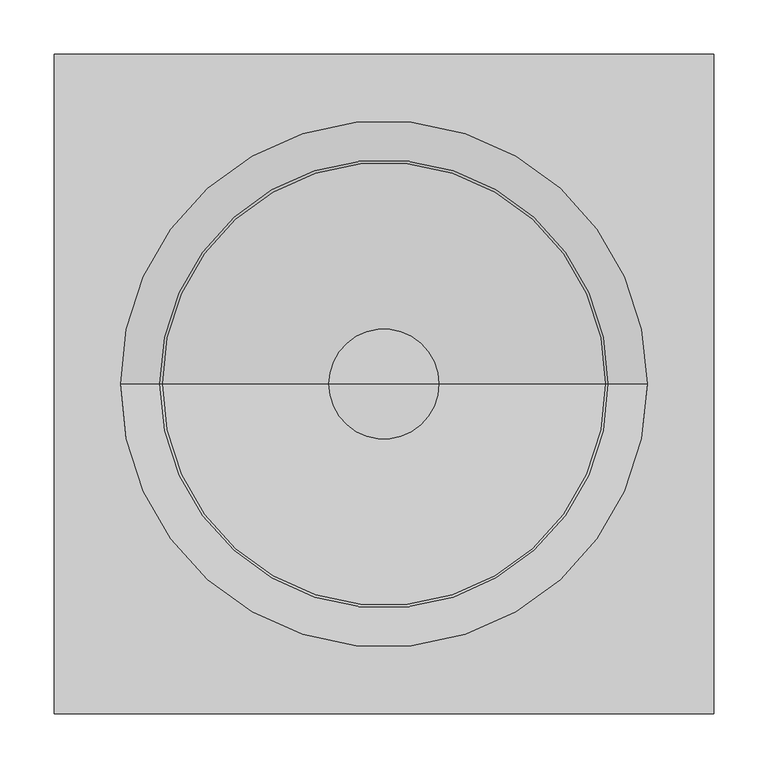
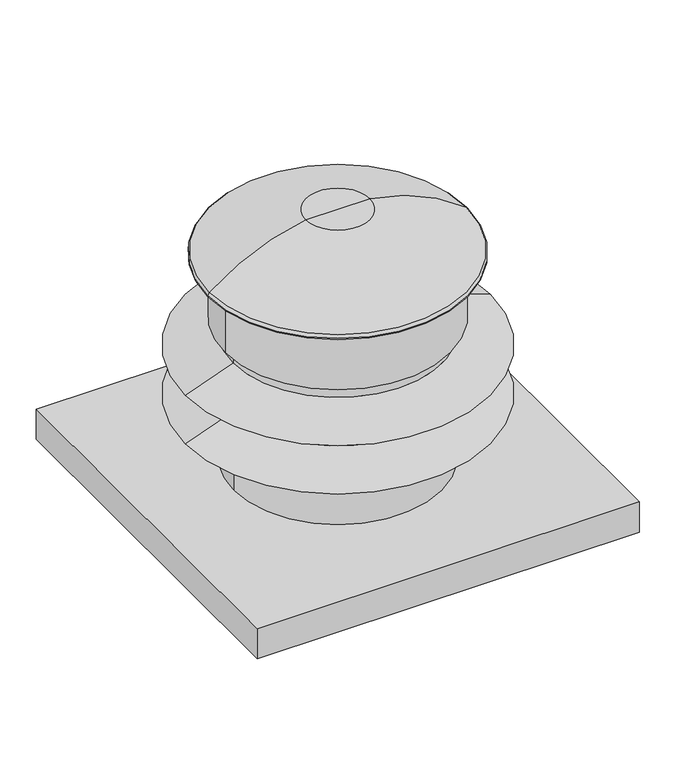
"""IFC4 building model written with IfcOpenShell, lengths in millimetres: proxy geometry."""

from ifc_helpers import new_model, si_unit, point, frame, origin, origin_with_axes, origin_2d, place, context, project, spatial, polyline, circle_curve, ellipse_curve, trimmed, segment, composite_curve, outline, extrude, source, transform, mapped, element, save
from ifc_brep_helpers import plane_surface, cylinder_surface, revolved_surface, advanced_brep


def generic_models_0bc11a33(model_context):
    return source(origin(), model_context, "Body", "SolidModel", [
        extrude(outline(composite_curve([segment(trimmed(circle_curve(origin_2d(), 133.35), [point((-133.35, 0.0))], [point((133.35, 0.0))], False, "CARTESIAN"), True, "CONTINUOUS"), segment(trimmed(circle_curve(origin_2d(), 133.35), [point((133.35, 0.0))], [point((-133.35, 0.0))], False, "CARTESIAN"), True, "CONTINUOUS")], self_intersect=False)), frame((0.0, 0.0, -123.03125), z_axis=(0.0, 0.0, 1.0), x_axis=(1.0, 0.0, 0.0)), (0.0, 0.0, 1.0), 123.03125),
        advanced_brep(
        [(50.795561, 0.0, 466.0888), (-50.795561, 0.0, 466.0888), (0.0, 0.0, 466.0888), (204.6272134, 0.0, 398.1636247), (-204.6272134, 0.0, 398.1636247), (207.005561, 0.0, 393.2089827), (-207.005561, 0.0, 393.2089827), (207.005561, 0.0, 391.288975), (-207.005561, 0.0, 391.288975), (179.445427, 0.0, 391.288975), (-179.445427, 0.0, 391.288975), (179.445427, 0.0, 287.5014), (-179.445427, 0.0, 287.5014), (166.8735605, 0.0, 287.5014), (-166.8735605, 0.0, 287.5014), (166.8735605, 0.0, 265.6599581), (-166.8735605, 0.0, 265.6599581), (243.2628806, 0.0, 237.8565194), (-243.2628806, 0.0, 237.8565194), (166.8735605, 0.0, 237.8565194), (-166.8735605, 0.0, 237.8565194), (166.8735605, 0.0, 184.0231581), (-166.8735605, 0.0, 184.0231581), (243.2628789, 0.0, 156.21972), (-243.2628789, 0.0, 156.21972), (165.857561, 0.0, 156.21972), (-165.857561, 0.0, 156.21972), (165.857561, 0.0, 50.8), (-165.857561, 0.0, 50.8), (0.0, 0.0, 50.8)],
        [
            (0, 1, circle_curve(frame((0.0, 0.0, 466.0888), z_axis=(0.0, 0.0, 1.0), x_axis=(-1.0, 0.0, 0.0)), 50.795561)),
            (1, 2),
            (2, 0),
            (1, 0, circle_curve(frame((0.0, 0.0, 466.0888), z_axis=(0.0, 0.0, 1.0), x_axis=(-1.0, 0.0, 0.0)), 50.795561)),
            (3, 4, circle_curve(frame((0.0, 0.0, 398.1636247), z_axis=(0.0, 0.0, 1.0), x_axis=(-1.0, 0.0, 0.0)), 204.6272134)),
            (4, 1, circle_curve(frame((0.004439, 0.0, 142.8853455), z_axis=(0.0, 1.0, 0.0), x_axis=(1.0, 0.0, 0.0)), 327.1713817)),
            (0, 3, circle_curve(frame((-0.004439, 0.0, 142.8853455), z_axis=(0.0, 1.0, 0.0), x_axis=(-1.0, 0.0, 0.0)), 327.1713817)),
            (4, 3, circle_curve(frame((0.0, 0.0, 398.1636247), z_axis=(0.0, 0.0, 1.0), x_axis=(-1.0, 0.0, 0.0)), 204.6272134)),
            (5, 6, circle_curve(frame((0.0, 0.0, 393.2089827), z_axis=(0.0, 0.0, 1.0), x_axis=(-1.0, 0.0, 0.0)), 207.005561)),
            (6, 4, circle_curve(frame((-200.655561, 0.0, 393.2089827), z_axis=(0.0, 1.0, 0.0), x_axis=(1.0, 0.0, 0.0)), 6.35)),
            (3, 5, circle_curve(frame((200.655561, 0.0, 393.2089827), z_axis=(0.0, 1.0, 0.0), x_axis=(-1.0, 0.0, 0.0)), 6.35)),
            (6, 5, circle_curve(frame((0.0, 0.0, 393.2089827), z_axis=(0.0, 0.0, 1.0), x_axis=(-1.0, 0.0, 0.0)), 207.005561)),
            (7, 8, circle_curve(frame((0.0, 0.0, 391.288975), z_axis=(0.0, 0.0, 1.0), x_axis=(-1.0, 0.0, 0.0)), 207.005561)),
            (8, 6),
            (5, 7),
            (8, 7, circle_curve(frame((0.0, 0.0, 391.288975), z_axis=(0.0, 0.0, 1.0), x_axis=(-1.0, 0.0, 0.0)), 207.005561)),
            (9, 10, circle_curve(frame((0.0, 0.0, 391.288975), z_axis=(0.0, 0.0, 1.0), x_axis=(-1.0, 0.0, 0.0)), 179.445427)),
            (10, 8),
            (7, 9),
            (10, 9, circle_curve(frame((0.0, 0.0, 391.288975), z_axis=(0.0, 0.0, 1.0), x_axis=(-1.0, 0.0, 0.0)), 179.445427)),
            (11, 12, circle_curve(frame((0.0, 0.0, 287.5014), z_axis=(0.0, 0.0, 1.0), x_axis=(-1.0, 0.0, 0.0)), 179.445427)),
            (12, 10),
            (9, 11),
            (12, 11, circle_curve(frame((0.0, 0.0, 287.5014), z_axis=(0.0, 0.0, 1.0), x_axis=(-1.0, 0.0, 0.0)), 179.445427)),
            (13, 14, circle_curve(frame((0.0, 0.0, 287.5014), z_axis=(0.0, 0.0, 1.0), x_axis=(-1.0, 0.0, 0.0)), 166.8735605)),
            (14, 12),
            (11, 13),
            (14, 13, circle_curve(frame((0.0, 0.0, 287.5014), z_axis=(0.0, 0.0, 1.0), x_axis=(-1.0, 0.0, 0.0)), 166.8735605)),
            (15, 16, circle_curve(frame((0.0, 0.0, 265.6599581), z_axis=(0.0, 0.0, 1.0), x_axis=(-1.0, 0.0, 0.0)), 166.8735605)),
            (16, 14),
            (13, 15),
            (16, 15, circle_curve(frame((0.0, 0.0, 265.6599581), z_axis=(0.0, 0.0, 1.0), x_axis=(-1.0, 0.0, 0.0)), 166.8735605)),
            (17, 18, circle_curve(frame((0.0, 0.0, 237.8565194), z_axis=(0.0, 0.0, 1.0), x_axis=(-1.0, 0.0, 0.0)), 243.2628806)),
            (18, 16),
            (15, 17),
            (18, 17, circle_curve(frame((0.0, 0.0, 237.8565194), z_axis=(0.0, 0.0, 1.0), x_axis=(-1.0, 0.0, 0.0)), 243.2628806)),
            (19, 20, circle_curve(frame((0.0, 0.0, 237.8565194), z_axis=(0.0, 0.0, 1.0), x_axis=(-1.0, 0.0, 0.0)), 166.8735605)),
            (20, 18),
            (17, 19),
            (20, 19, circle_curve(frame((0.0, 0.0, 237.8565194), z_axis=(0.0, 0.0, 1.0), x_axis=(-1.0, 0.0, 0.0)), 166.8735605)),
            (21, 22, circle_curve(frame((0.0, 0.0, 184.0231581), z_axis=(0.0, 0.0, 1.0), x_axis=(-1.0, 0.0, 0.0)), 166.8735605)),
            (22, 20),
            (19, 21),
            (22, 21, circle_curve(frame((0.0, 0.0, 184.0231581), z_axis=(0.0, 0.0, 1.0), x_axis=(-1.0, 0.0, 0.0)), 166.8735605)),
            (23, 24, circle_curve(frame((0.0, 0.0, 156.21972), z_axis=(0.0, 0.0, 1.0), x_axis=(-1.0, 0.0, 0.0)), 243.2628789)),
            (24, 22),
            (21, 23),
            (24, 23, circle_curve(frame((0.0, 0.0, 156.21972), z_axis=(0.0, 0.0, 1.0), x_axis=(-1.0, 0.0, 0.0)), 243.2628789)),
            (25, 26, circle_curve(frame((0.0, 0.0, 156.21972), z_axis=(0.0, 0.0, 1.0), x_axis=(-1.0, 0.0, 0.0)), 165.857561)),
            (26, 24),
            (23, 25),
            (26, 25, circle_curve(frame((0.0, 0.0, 156.21972), z_axis=(0.0, 0.0, 1.0), x_axis=(-1.0, 0.0, 0.0)), 165.857561)),
            (27, 28, circle_curve(frame((0.0, 0.0, 50.8), z_axis=(0.0, 0.0, 1.0), x_axis=(-1.0, 0.0, 0.0)), 165.857561)),
            (28, 26),
            (25, 27),
            (28, 27, circle_curve(frame((0.0, 0.0, 50.8), z_axis=(0.0, 0.0, 1.0), x_axis=(-1.0, 0.0, 0.0)), 165.857561)),
            (29, 28),
            (27, 29),
        ],
        [
            plane_surface(frame((0.0, 0.0, 466.0888), z_axis=(0.0, 0.0, 1.0), x_axis=(-1.0, 0.0, 0.0))),
            revolved_surface(trimmed(ellipse_curve(frame((0.004439, 0.0, 142.8853455), z_axis=(0.0, -1.0, 0.0), x_axis=(1.0, 0.0, 0.0)), 327.1713817, 327.1713817), [point((-50.795561, 0.0, 466.0888))], [point((-204.6272134, 0.0, 398.1636247))], True, "CARTESIAN"), (0.0, 0.0, -123.03125), (0.0, 0.0, -1.0)),
            revolved_surface(trimmed(ellipse_curve(frame((-200.655561, 0.0, 393.2089827), z_axis=(0.0, -1.0, 0.0), x_axis=(1.0, 0.0, 0.0)), 6.35, 6.35), [point((-204.6272134, 0.0, 398.1636247))], [point((-207.005561, 0.0, 393.2089827))], True, "CARTESIAN"), (0.0, 0.0, -123.03125), (0.0, 0.0, -1.0)),
            cylinder_surface(frame((0.0, 0.0, -123.03125), z_axis=(0.0, 0.0, -1.0), x_axis=(-1.0, 0.0, 0.0)), 207.005561),
            plane_surface(frame((0.0, 0.0, 391.288975), z_axis=(0.0, 0.0, -1.0), x_axis=(-1.0, 0.0, 0.0))),
            cylinder_surface(frame((0.0, 0.0, -123.03125), z_axis=(0.0, 0.0, -1.0), x_axis=(-1.0, 0.0, 0.0)), 179.445427),
            plane_surface(frame((0.0, 0.0, 287.5014), z_axis=(0.0, 0.0, -1.0), x_axis=(-1.0, 0.0, 0.0))),
            cylinder_surface(frame((0.0, 0.0, -123.03125), z_axis=(0.0, 0.0, -1.0), x_axis=(-1.0, 0.0, 0.0)), 166.8735605),
            revolved_surface(polyline([(-166.8735605, 0.0, 265.6599581), (-243.2628806, 0.0, 237.8565194)]), (0.0, 0.0, -123.03125), (0.0, 0.0, -1.0)),
            plane_surface(frame((0.0, 0.0, 237.8565194), z_axis=(0.0, 0.0, -1.0), x_axis=(-1.0, 0.0, 0.0))),
            revolved_surface(polyline([(-166.8735605, 0.0, 184.0231581), (-243.2628789, 0.0, 156.21972)]), (0.0, 0.0, -123.03125), (0.0, 0.0, -1.0)),
            plane_surface(frame((0.0, 0.0, 156.21972), z_axis=(0.0, 0.0, -1.0), x_axis=(-1.0, 0.0, 0.0))),
            cylinder_surface(frame((0.0, 0.0, -123.03125), z_axis=(0.0, 0.0, -1.0), x_axis=(-1.0, 0.0, 0.0)), 165.857561),
            plane_surface(frame((0.0, 0.0, 50.8), z_axis=(0.0, 0.0, -1.0), x_axis=(-1.0, 0.0, 0.0))),
        ],
        [
            (0, [[1, 2, 3]]),
            (0, [[4, -3, -2]]),
            (1, [[5, 6, -1, 7]]),
            (1, [[8, -7, -4, -6]]),
            (2, [[9, 10, -5, 11]]),
            (2, [[12, -11, -8, -10]]),
            (3, [[13, 14, -9, 15]]),
            (3, [[16, -15, -12, -14]]),
            (4, [[17, 18, -13, 19]]),
            (4, [[20, -19, -16, -18]]),
            (5, [[21, 22, -17, 23]]),
            (5, [[24, -23, -20, -22]]),
            (6, [[25, 26, -21, 27]]),
            (6, [[28, -27, -24, -26]]),
            (7, [[29, 30, -25, 31]]),
            (7, [[32, -31, -28, -30]]),
            (8, [[33, 34, -29, 35]]),
            (8, [[36, -35, -32, -34]]),
            (9, [[37, 38, -33, 39]]),
            (9, [[40, -39, -36, -38]]),
            (7, [[41, 42, -37, 43]]),
            (7, [[44, -43, -40, -42]]),
            (10, [[45, 46, -41, 47]]),
            (10, [[48, -47, -44, -46]]),
            (11, [[49, 50, -45, 51]]),
            (11, [[52, -51, -48, -50]]),
            (12, [[53, 54, -49, 55]]),
            (12, [[56, -55, -52, -54]]),
            (13, [[57, -53, 58]]),
            (13, [[-58, -56, -57]]),
        ],
    ),
        extrude(outline(polyline([(304.8, 304.8), (304.8, -304.8), (-304.8, -304.8), (-304.8, 304.8), (304.8, 304.8)])), origin_with_axes(), (0.0, 0.0, 1.0), 50.8),
    ])


if __name__ == "__main__":
    model = new_model("IFC4")
    model_context = context("Model", 3, world=origin())
    ifc_project = project(units=[si_unit("LENGTHUNIT", "METRE", prefix="MILLI")], contexts=[model_context])
    site = spatial("IfcSite", under=ifc_project)
    building = spatial("IfcBuilding", under=site)
    placement = place(None, origin())
    generic_models_shape = generic_models_0bc11a33(model_context)
    element("IfcBuildingElementProxy", 1, Name="Generic Models", at=placement, inside=building, context=model_context, shape_type="MappedRepresentation", body=[
        mapped(generic_models_shape, transform((0.0, 0.0, 0.0), x_axis=(1.0, 0.0, 0.0), y_axis=(0.0, 1.0, 0.0), z_axis=(0.0, 0.0, 1.0))),
    ])
    save(model, "model.ifc")
